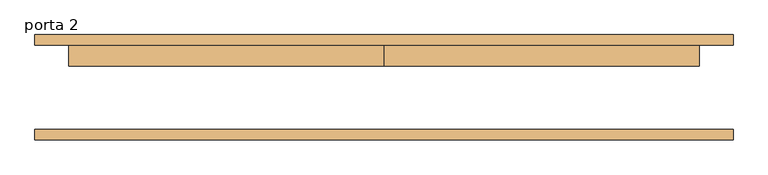
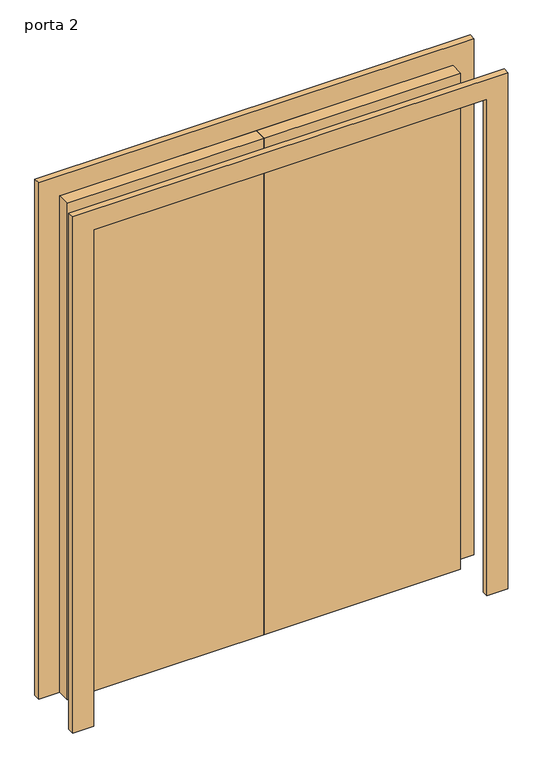
"""IFC4 building model written with IfcOpenShell, lengths in millimetres: door geometry, porta 2."""

from ifc_helpers import new_model, si_unit, frame, origin, origin_with_axes, place, context, project, spatial, polyline, outline, extrude, source, transform, mapped, element, save


def porta_2_418724bc(model_context):
    return source(origin(), model_context, "Body", "SweptSolid", [
        extrude(outline(polyline([(2000.0, -750.0), (2000.0, 750.0), (0.0, 750.0), (0.0, 830.0), (2080.0, 830.0), (2080.0, -830.0), (0.0, -830.0), (0.0, -750.0), (2000.0, -750.0)])), frame((0.0, -125.0, 0.0), z_axis=(0.0, 1.0, 0.0), x_axis=(0.0, 0.0, 1.0)), (0.0, 0.0, 1.0), 25.0),
        extrude(outline(polyline([(2000.0, -750.0), (2000.0, 750.0), (0.0, 750.0), (0.0, 830.0), (2080.0, 830.0), (2080.0, -830.0), (0.0, -830.0), (0.0, -750.0), (2000.0, -750.0)])), frame((0.0, 100.0, 0.0), z_axis=(0.0, 1.0, 0.0), x_axis=(0.0, 0.0, 1.0)), (0.0, 0.0, 1.0), 25.0),
        extrude(outline(polyline([(0.0, 100.0), (750.0, 100.0), (750.0, 50.0), (0.0, 50.0), (0.0, 100.0)])), origin_with_axes(), (0.0, 0.0, 1.0), 2000.0),
        extrude(outline(polyline([(-750.0, 100.0), (0.0, 100.0), (0.0, 50.0), (-750.0, 50.0), (-750.0, 100.0)])), origin_with_axes(), (0.0, 0.0, 1.0), 2000.0),
    ])


if __name__ == "__main__":
    model = new_model("IFC4")
    model_context = context("Model", 3, world=origin())
    ifc_project = project(units=[si_unit("LENGTHUNIT", "METRE", prefix="MILLI")], contexts=[model_context])
    site = spatial("IfcSite", under=ifc_project)
    building = spatial("IfcBuilding", under=site)
    placement = place(None, origin())
    porta_2_shape = porta_2_418724bc(model_context)
    element("IfcDoor", 1, ObjectType="porta 2", at=placement, inside=building, context=model_context, shape_type="MappedRepresentation", body=[
        mapped(porta_2_shape, transform((0.0, 0.0, 0.0), x_axis=(1.0, 0.0, 0.0), y_axis=(0.0, 1.0, 0.0), z_axis=(0.0, 0.0, 1.0))),
    ])
    save(model, "model.ifc")
